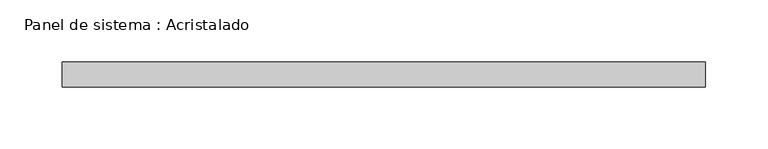
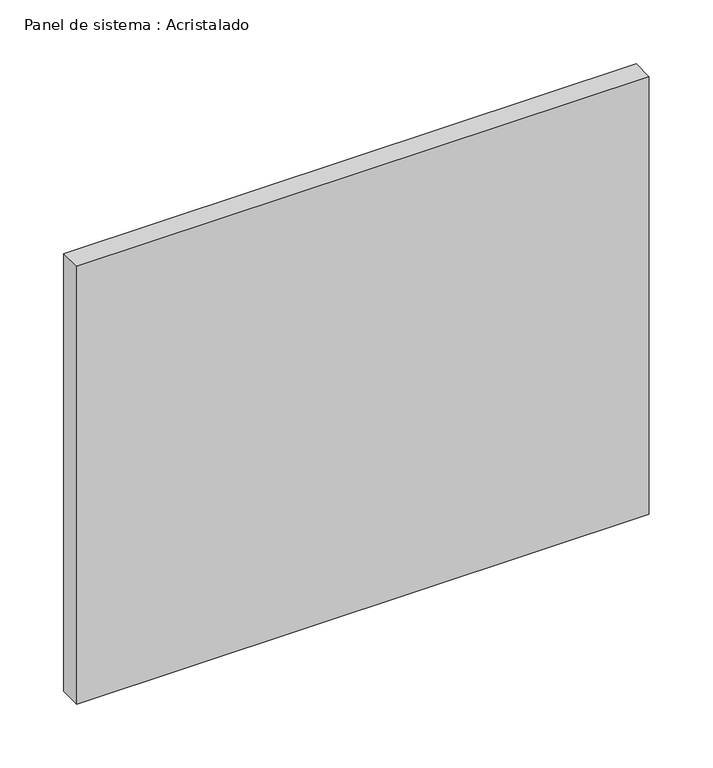
"""IFC4 building model written with IfcOpenShell, lengths in millimetres: plate geometry, Panel de sistema : Acristalado."""

from ifc_helpers import new_model, si_unit, origin, origin_with_axes, place, context, project, spatial, polyline, outline, extrude, source, transform, mapped, element, save


def panel_de_sistema_acristalado_7bef7a59(model_context):
    return source(origin(), model_context, "Body", "SweptSolid", [
        extrude(outline(polyline([(258.5, -10.0), (-258.5, -10.0), (-258.5, 10.0), (258.5, 10.0), (258.5, -10.0)])), origin_with_axes(), (0.0, 0.0, 1.0), 417.7452144),
    ])


if __name__ == "__main__":
    model = new_model("IFC4")
    model_context = context("Model", 3, world=origin())
    ifc_project = project(units=[si_unit("LENGTHUNIT", "METRE", prefix="MILLI")], contexts=[model_context])
    site = spatial("IfcSite", under=ifc_project)
    building = spatial("IfcBuilding", under=site)
    placement = place(None, origin())
    panel_de_sistema_acristalado_shape = panel_de_sistema_acristalado_7bef7a59(model_context)
    element("IfcPlate", 1, ObjectType="Panel de sistema : Acristalado", at=placement, inside=building, context=model_context, shape_type="MappedRepresentation", body=[
        mapped(panel_de_sistema_acristalado_shape, transform((0.0, 0.0, 0.0), x_axis=(1.0, 0.0, 0.0), y_axis=(0.0, 1.0, 0.0), z_axis=(0.0, 0.0, 1.0))),
    ])
    save(model, "model.ifc")
